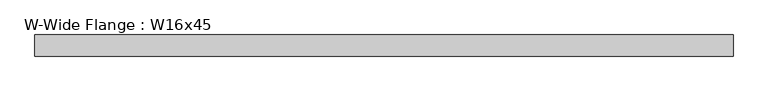
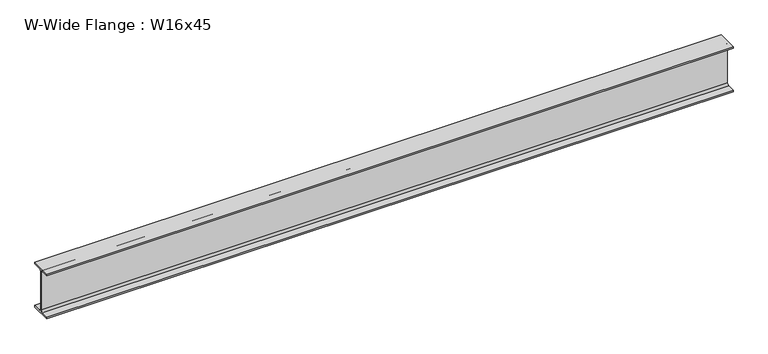
"""IFC4 building model written with IfcOpenShell, lengths in millimetres: beam geometry, W-Wide Flange : W16x45."""

import ifcopenshell
import ifcopenshell.guid

model = None  # the IFC model being written
_history = None  # IfcOwnerHistory: only IFC2X3 demands one
_inside = {}  # id of a spatial element -> (the spatial element, [elements in it])
_under = {}  # id of a project, library or spatial element -> (it, [spatial elements below it])
_declared = {}  # id of a project -> (the project, [libraries it declares])
_typed = {}  # id of a type object -> (the type object, [elements of that type])
_made_of = {}  # id of a material, layer set ... -> (it, [elements and type objects made of it])


def new_model(schema):
    """Start an empty IFC model of exactly this schema.

    Asked for "IFC4X3", IfcOpenShell would pick the latest addendum, in which some entities
    have other attributes; the version numbers below select the first issue.
    IFC2X3 requires an IfcOwnerHistory on every rooted entity: one is made here for all.
    """
    global model, _history
    if schema == "IFC4X3":
        model = ifcopenshell.file(schema_version=(4, 3, 0, 0))
    else:
        model = ifcopenshell.file(schema=schema)
    _inside.clear()
    _under.clear()
    _declared.clear()
    _typed.clear()
    _made_of.clear()
    _history = None
    if model.schema == "IFC2X3":
        org = make("IfcOrganization", Name="unknown")
        user = make(
            "IfcPersonAndOrganization",
            ThePerson=make("IfcPerson", FamilyName="unknown"),
            TheOrganization=org,
        )
        app = make(
            "IfcApplication",
            ApplicationDeveloper=org,
            Version="unknown",
            ApplicationFullName="unknown",
            ApplicationIdentifier="unknown",
        )
        _history = make(
            "IfcOwnerHistory",
            OwningUser=user,
            OwningApplication=app,
            ChangeAction="ADDED",
            CreationDate=0,
        )
    return model


def make(cls, **values):
    """One entity of the class cls with the attributes given. An attribute that is None is left unset."""
    return model.create_entity(
        cls, **{name: value for name, value in values.items() if value is not None}
    )


def rooted(cls, **values):
    """An entity with a GlobalId (a new one), such as an element, a storey or a relation."""
    return make(cls, GlobalId=ifcopenshell.guid.new(), OwnerHistory=_history, **values)


def si_unit(unit_type, name, prefix=None):
    """IfcSIUnit, for example si_unit("LENGTHUNIT", "METRE", prefix="MILLI")."""
    return make("IfcSIUnit", UnitType=unit_type, Prefix=prefix, Name=name)


def assignment(units):
    """IfcUnitAssignment: the units of a project."""
    return None if units is None else make("IfcUnitAssignment", Units=units)


def point(xyz):
    """IfcCartesianPoint."""
    return None if xyz is None else make("IfcCartesianPoint", Coordinates=xyz)


def direction(xyz):
    """IfcDirection."""
    return None if xyz is None else make("IfcDirection", DirectionRatios=xyz)


def frame(location, z_axis=None, x_axis=None):
    """IfcAxis2Placement3D, a coordinate frame: its origin and axes. An axis left out is left unset."""
    return make(
        "IfcAxis2Placement3D",
        Location=point(location),
        Axis=direction(z_axis),
        RefDirection=direction(x_axis),
    )


def frame_2d(location, x_axis=None):
    """IfcAxis2Placement2D, a coordinate frame in the plane: its origin and x axis."""
    return make(
        "IfcAxis2Placement2D", Location=point(location), RefDirection=direction(x_axis)
    )


def origin():
    """The frame at (0, 0, 0) with its axes left unset."""
    return frame((0.0, 0.0, 0.0))


def place(relative_to, where):
    """IfcLocalPlacement: puts the frame where relative to a parent placement (None: the world)."""
    return make(
        "IfcLocalPlacement", PlacementRelTo=relative_to, RelativePlacement=where
    )


def context(
    kind, dimensions, precision=None, world=None, true_north=None, identifier=None
):
    """IfcGeometricRepresentationContext, for example the 3D "Model" context."""
    return make(
        "IfcGeometricRepresentationContext",
        ContextIdentifier=identifier,
        ContextType=kind,
        CoordinateSpaceDimension=dimensions,
        Precision=precision,
        WorldCoordinateSystem=world,
        TrueNorth=true_north,
    )


def project(units=None, contexts=None):
    """IfcProject with its units and contexts."""
    return rooted(
        "IfcProject",
        Name="project",
        RepresentationContexts=contexts,
        UnitsInContext=assignment(units),
    )


def spatial(cls, under=None, at=None, **own):
    """A site, building, storey or space (cls), placed at a placement, below another one or the project."""
    s = rooted(cls, ObjectPlacement=at, **own)
    if under is not None:
        _under.setdefault(under.id(), (under, []))[1].append(s)
    return s


def polyline(points):
    """IfcPolyline through the points."""
    return make("IfcPolyline", Points=[point(p) for p in points])


def circle_curve(where, radius):
    """IfcCircle in the frame where."""
    return make("IfcCircle", Position=where, Radius=radius)


def trimmed(basis, trim1, trim2, sense, master):
    """IfcTrimmedCurve: the piece of a basis curve between two trims."""
    return make(
        "IfcTrimmedCurve",
        BasisCurve=basis,
        Trim1=trim1,
        Trim2=trim2,
        SenseAgreement=sense,
        MasterRepresentation=master,
    )


def segment(curve, same_sense, transition):
    """IfcCompositeCurveSegment."""
    return make(
        "IfcCompositeCurveSegment",
        Transition=transition,
        SameSense=same_sense,
        ParentCurve=curve,
    )


def composite_curve(segments, self_intersect=None):
    """IfcCompositeCurve: segments joined end to end."""
    return make("IfcCompositeCurve", Segments=segments, SelfIntersect=self_intersect)


def outline(outer, holes=None, kind="AREA"):
    """IfcArbitraryClosedProfileDef: a profile drawn as a closed curve; with holes, ...WithVoids."""
    if holes is None:
        return make("IfcArbitraryClosedProfileDef", ProfileType=kind, OuterCurve=outer)
    return make(
        "IfcArbitraryProfileDefWithVoids",
        ProfileType=kind,
        OuterCurve=outer,
        InnerCurves=holes,
    )


def extrude(swept, where, along, depth):
    """IfcExtrudedAreaSolid: the profile swept, set in the frame where, extruded along a direction by depth."""
    return make(
        "IfcExtrudedAreaSolid",
        SweptArea=swept,
        Position=where,
        ExtrudedDirection=direction(along),
        Depth=depth,
    )


def shape(context_of_items, identifier, shape_type, items):
    """IfcShapeRepresentation: the items that make up one representation, for example the "Body"."""
    return make(
        "IfcShapeRepresentation",
        ContextOfItems=context_of_items,
        RepresentationIdentifier=identifier,
        RepresentationType=shape_type,
        Items=items,
    )


def source(mapping_origin, context_of_items, identifier, shape_type, items):
    """IfcRepresentationMap: a shape defined once, which mapped items show again and again."""
    return make(
        "IfcRepresentationMap",
        MappingOrigin=mapping_origin,
        MappedRepresentation=shape(context_of_items, identifier, shape_type, items),
    )


def transform(
    local_origin,
    x_axis=None,
    y_axis=None,
    z_axis=None,
    scale=None,
    scale2=None,
    scale3=None,
    uniform=True,
):
    """IfcCartesianTransformationOperator3D, or its non-uniform kind. x_axis, y_axis, z_axis: its Axis1, 2, 3."""
    if uniform:
        return make(
            "IfcCartesianTransformationOperator3D",
            Axis1=direction(x_axis),
            Axis2=direction(y_axis),
            LocalOrigin=point(local_origin),
            Scale=scale,
            Axis3=direction(z_axis),
        )
    return make(
        "IfcCartesianTransformationOperator3DnonUniform",
        Axis1=direction(x_axis),
        Axis2=direction(y_axis),
        LocalOrigin=point(local_origin),
        Scale=scale,
        Axis3=direction(z_axis),
        Scale2=scale2,
        Scale3=scale3,
    )


def mapped(mapping_source, mapping_target):
    """IfcMappedItem: shows the shape of a source again, moved by a transform."""
    return make(
        "IfcMappedItem", MappingSource=mapping_source, MappingTarget=mapping_target
    )


def made_of(thing, what):
    """Note that an element or type object is made of a material, layer set ...; save() writes the relation."""
    if what is not None:
        _made_of.setdefault(what.id(), (what, []))[1].append(thing)
    return thing


def element(
    cls,
    number,
    at=None,
    inside=None,
    cuts=None,
    type_object=None,
    material=None,
    context=None,
    identifier="Body",
    shape_type=None,
    held_by="IfcProductDefinitionShape",
    body=None,
    shapes=None,
    **own,
):
    """One element of the class cls, such as IfcWall. Its Tag is "e" and its number.

    at: its placement. inside: the storey or other place that contains it. cuts: it is an
    opening in that element (IfcRelVoidsElement). A single representation is given by context,
    identifier, shape_type and body (its items); several are given by shapes. held_by: the class
    of the entity that holds the representations. save() writes the other relations.
    """
    e = rooted(cls, Tag="e%d" % number, ObjectPlacement=at, **own)
    if body is not None:
        shapes = [shape(context, identifier, shape_type, body)]
    if shapes is not None:
        e.Representation = make(held_by, Representations=shapes)
    if inside is not None:
        _inside.setdefault(inside.id(), (inside, []))[1].append(e)
    if cuts is not None:
        rooted(
            "IfcRelVoidsElement", RelatingBuildingElement=cuts, RelatedOpeningElement=e
        )
    if type_object is not None:
        _typed.setdefault(type_object.id(), (type_object, []))[1].append(e)
    return made_of(e, material)


def aggregate(whole, parts):
    """IfcRelAggregates: a whole, such as a stair, and the parts it consists of."""
    return rooted("IfcRelAggregates", RelatingObject=whole, RelatedObjects=parts)


def save(model, path):
    """Write the relations noted so far, then the file.

    IfcRelAggregates (storeys below a building ...), IfcRelContainedInSpatialStructure (elements
    in a storey), IfcRelDefinesByType, IfcRelAssociatesMaterial and IfcRelDeclares: one each for
    every whole, place, type object, material and project.
    """
    for whole, parts in _under.values():
        aggregate(whole, parts)
    for where, things in _inside.values():
        rooted(
            "IfcRelContainedInSpatialStructure",
            RelatedElements=things,
            RelatingStructure=where,
        )
    for kind, things in _typed.values():
        rooted("IfcRelDefinesByType", RelatedObjects=things, RelatingType=kind)
    for what, things in _made_of.values():
        rooted("IfcRelAssociatesMaterial", RelatedObjects=things, RelatingMaterial=what)
    for by, libraries in _declared.values():
        rooted("IfcRelDeclares", RelatingContext=by, RelatedDefinitions=libraries)
    model.write(path)


def w_wide_flange_w16x45_495da7e5(model_context):
    return source(origin(), model_context, "Body", "SweptSolid", [
        extrude(outline(composite_curve([segment(polyline([(89.408, -190.119), (89.408, -204.47), (-89.408, -204.47), (-89.408, -190.119), (-21.7805, -190.119)]), True, "CONTINUOUS"), segment(trimmed(circle_curve(frame_2d((-21.7805, -172.72)), 17.399), [point((-21.7805, -190.119))], [point((-4.3815, -172.72))], True, "CARTESIAN"), True, "CONTINUOUS"), segment(polyline([(-4.3815, -172.72), (-4.3815, 172.72)]), True, "CONTINUOUS"), segment(trimmed(circle_curve(frame_2d((-21.7805, 172.72)), 17.399), [point((-4.3815, 172.72))], [point((-21.7805, 190.119))], True, "CARTESIAN"), True, "CONTINUOUS"), segment(polyline([(-21.7805, 190.119), (-89.408, 190.119), (-89.408, 204.47), (89.408, 204.47), (89.408, 190.119), (21.7805, 190.119)]), True, "CONTINUOUS"), segment(trimmed(circle_curve(frame_2d((21.7805, 172.72)), 17.399), [point((21.7805, 190.119))], [point((4.3815, 172.72))], True, "CARTESIAN"), True, "CONTINUOUS"), segment(polyline([(4.3815, 172.72), (4.3815, -172.72)]), True, "CONTINUOUS"), segment(trimmed(circle_curve(frame_2d((21.7805, -172.72)), 17.399), [point((4.3815, -172.72))], [point((21.7805, -190.119))], True, "CARTESIAN"), True, "CONTINUOUS"), segment(polyline([(21.7805, -190.119), (89.408, -190.119)]), True, "CONTINUOUS")], self_intersect=False)), frame((-2959.1, 0.0, 0.0), z_axis=(1.0, 0.0, 0.0), x_axis=(0.0, 1.0, 0.0)), (0.0, 0.0, 1.0), 5918.2),
    ])


if __name__ == "__main__":
    model = new_model("IFC4")
    model_context = context("Model", 3, world=origin())
    ifc_project = project(units=[si_unit("LENGTHUNIT", "METRE", prefix="MILLI")], contexts=[model_context])
    site = spatial("IfcSite", under=ifc_project)
    building = spatial("IfcBuilding", under=site)
    placement = place(None, origin())
    w_wide_flange_w16x45_shape = w_wide_flange_w16x45_495da7e5(model_context)
    element("IfcBeam", 1, ObjectType="W-Wide Flange : W16x45", at=placement, inside=building, context=model_context, shape_type="MappedRepresentation", body=[
        mapped(w_wide_flange_w16x45_shape, transform((0.0, 0.0, 0.0), x_axis=(1.0, 0.0, 0.0), y_axis=(0.0, 1.0, 0.0), z_axis=(0.0, 0.0, 1.0))),
    ])
    save(model, "model.ifc")
